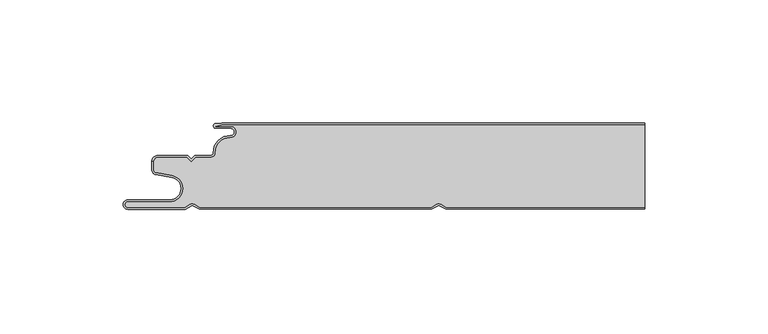
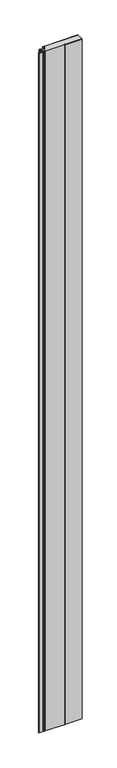
"""IFC4 building model written with IfcOpenShell, lengths in millimetres: plate geometry."""

from ifc_helpers import new_model, si_unit, point, frame, frame_2d, origin, origin_with_axes, place, context, project, spatial, polyline, circle_curve, trimmed, segment, composite_curve, outline, extrude, source, transform, mapped, element, save
from ifc_brep_helpers import plane_surface, cylinder_surface, revolved_surface, advanced_brep


def plate_384f6cdc(model_context):
    return source(origin(), model_context, "Body", "SolidModel", [
        advanced_brep(
        [(-71.6637731, -0.8, 3500.0), (-74.0000003, -1.3234618, 3500.0), (-68.0000003, -1.3234618, 3500.0), (-68.1134423, -5.9206625, 3500.0), (-74.1919837, -12.028303, 3500.0), (-76.0000003, -13.9234618, 3500.0), (-82.1686293, -13.9234618, 3500.0), (-84.0000002, -15.7548327, 3500.0), (-85.831371, -13.9234618, 3500.0), (-97.4, -13.9234618, 3500.0), (-99.2, -15.7234618, 3500.0), (-99.2, -19.0038437, 3500.0), (-98.2083778, -20.185613, 3500.0), (-91.7622998, -21.3222305, 3500.0), (-92.7, -32.0401924, 3500.0), (-109.7, -32.0401924, 3500.0), (-109.7, -34.2401924, 3500.0), (-86.6751286, -34.2401924, 3500.0), (-84.45, -32.9555137, 3500.0), (-82.7606357, -32.9494241, 3500.0), (-80.4557934, -34.2, 3500.0), (13.3944866, -34.2, 3500.0), (15.55, -32.9555137, 3500.0), (17.2393643, -32.9494241, 3500.0), (19.5442066, -34.2, 3500.0), (100.0, -34.2, 3500.0), (100.0, -0.8, 3500.0), (19.5442066, -34.2, 0.0), (17.2393643, -32.9494241, 0.0), (15.55, -32.9555137, 0.0), (13.3944866, -34.2, 0.0), (-80.4557934, -34.2, 0.0), (-82.7606357, -32.9494241, 0.0), (-84.45, -32.9555137, 0.0), (-86.6751286, -34.2401924, 0.0), (-109.7, -34.2401924, 0.0), (-109.7, -32.0401924, 0.0), (-92.7, -32.0401924, 0.0), (-91.7622998, -21.3222305, 0.0), (-98.2083778, -20.185613, 0.0), (-99.2, -19.0038437, 0.0), (-99.2, -15.7234618, 0.0), (-97.4, -13.9234618, 0.0), (-85.831371, -13.9234618, 0.0), (-84.0000002, -15.7548327, 0.0), (-82.1686293, -13.9234618, 0.0), (-76.0000003, -13.9234618, 0.0), (-74.2024882, -12.0288559, 0.0), (-68.1139291, -5.930521, 0.0), (-68.0000003, -1.3234618, 0.0), (-74.0000003, -1.3234618, 0.0), (-71.6637731, -0.8, 0.0), (100.0, -0.8, 0.0), (100.0, -34.2, 0.0)],
        [
            (0, 1),
            (1, 2),
            (2, 3, circle_curve(frame((-68.0000003, -3.6234618, 3500.0), z_axis=(0.0, 0.0, -1.0), x_axis=(1.0, 0.0, 0.0)), 2.3)),
            (3, 4, circle_curve(frame((-68.4000003, -11.7234618, 3500.0), z_axis=(0.0, 0.0, 1.0), x_axis=(1.0, 0.0, 0.0)), 5.8)),
            (4, 5, circle_curve(frame((-76.0000003, -12.1234618, 3500.0), z_axis=(0.0, 0.0, -1.0), x_axis=(1.0, 0.0, 0.0)), 1.8)),
            (5, 6),
            (6, 7),
            (7, 8),
            (8, 9),
            (9, 10, circle_curve(frame((-97.4, -15.7234618, 3500.0), z_axis=(0.0, 0.0, 1.0), x_axis=(1.0, 0.0, 0.0)), 1.8)),
            (10, 11),
            (11, 12, circle_curve(frame((-98.0, -19.0038437, 3500.0), z_axis=(0.0, 0.0, 1.0), x_axis=(1.0, 0.0, 0.0)), 1.2)),
            (12, 13),
            (13, 14, circle_curve(frame((-92.7, -26.6401924, 3500.0), z_axis=(0.0, 0.0, -1.0), x_axis=(1.0, 0.0, 0.0)), 5.4)),
            (14, 15),
            (15, 16, circle_curve(frame((-109.7, -33.1401924, 3500.0), z_axis=(0.0, 0.0, 1.0), x_axis=(1.0, 0.0, 0.0)), 1.1)),
            (16, 17),
            (17, 18),
            (18, 19, circle_curve(frame((-83.6, -34.4277569, 3500.0), z_axis=(0.0, 0.0, -1.0), x_axis=(1.0, 0.0, 0.0)), 1.7)),
            (19, 20),
            (20, 21),
            (21, 22),
            (22, 23, circle_curve(frame((16.4, -34.4277569, 3500.0), z_axis=(0.0, 0.0, -1.0), x_axis=(1.0, 0.0, 0.0)), 1.7)),
            (23, 24),
            (24, 25),
            (25, 26),
            (26, 0),
            (27, 28),
            (28, 29, circle_curve(frame((16.4, -34.4277569, 0.0), z_axis=(0.0, 0.0, 1.0), x_axis=(1.0, 0.0, 0.0)), 1.7)),
            (29, 30),
            (30, 31),
            (31, 32),
            (32, 33, circle_curve(frame((-83.6, -34.4277569, 0.0), z_axis=(0.0, 0.0, 1.0), x_axis=(1.0, 0.0, 0.0)), 1.7)),
            (33, 34),
            (34, 35),
            (35, 36, circle_curve(frame((-109.7, -33.1401924, 0.0), z_axis=(0.0, 0.0, -1.0), x_axis=(1.0, 0.0, 0.0)), 1.1)),
            (36, 37),
            (37, 38, circle_curve(frame((-92.7, -26.6401924, 0.0), z_axis=(0.0, 0.0, 1.0), x_axis=(1.0, 0.0, 0.0)), 5.4)),
            (38, 39),
            (39, 40, circle_curve(frame((-98.0, -19.0038437, 0.0), z_axis=(0.0, 0.0, -1.0), x_axis=(1.0, 0.0, 0.0)), 1.2)),
            (40, 41),
            (41, 42, circle_curve(frame((-97.4, -15.7234618, 0.0), z_axis=(0.0, 0.0, -1.0), x_axis=(1.0, 0.0, 0.0)), 1.8)),
            (42, 43),
            (43, 44),
            (44, 45),
            (45, 46),
            (46, 47, circle_curve(frame((-76.0000003, -12.1234618, 0.0), z_axis=(0.0, 0.0, 1.0), x_axis=(1.0, 0.0, 0.0)), 1.8)),
            (47, 48, circle_curve(frame((-68.4000003, -11.7234618, 0.0), z_axis=(0.0, 0.0, -1.0), x_axis=(1.0, 0.0, 0.0)), 5.8)),
            (48, 49, circle_curve(frame((-68.0000003, -3.6234618, 0.0), z_axis=(0.0, 0.0, 1.0), x_axis=(1.0, 0.0, 0.0)), 2.3)),
            (49, 50),
            (50, 51),
            (51, 52),
            (52, 53),
            (53, 27),
            (51, 0),
            (26, 52),
            (50, 1),
            (49, 2),
            (48, 3),
            (47, 4),
            (46, 5),
            (45, 6),
            (44, 7),
            (43, 8),
            (42, 9),
            (41, 10),
            (40, 11),
            (39, 12),
            (38, 13),
            (37, 14),
            (36, 15),
            (35, 16),
            (34, 17),
            (33, 18),
            (32, 19),
            (31, 20),
            (30, 21),
            (29, 22),
            (28, 23),
            (27, 24),
            (53, 25),
        ],
        [
            plane_surface(frame((-100.0, -35.0, 3500.0), z_axis=(0.0, 0.0, 1.0), x_axis=(0.0, 1.0, 0.0))),
            plane_surface(frame((-100.0, -35.0, 0.0), z_axis=(0.0, 0.0, -1.0), x_axis=(0.0, 1.0, 0.0))),
            plane_surface(frame((922.5460884, -0.8, 3500.0), z_axis=(0.0, 1.0, 0.0), x_axis=(0.0, 0.0, -1.0))),
            plane_surface(frame((-71.6637731, -0.8, 3500.0), z_axis=(-0.21864173282829805, 0.9758052022129412, 0.0), x_axis=(0.0, 0.0, -1.0))),
            plane_surface(frame((-74.0000003, -1.3234618, 3500.0), z_axis=(0.0, -1.0, 0.0), x_axis=(0.0, 0.0, -1.0))),
            revolved_surface(polyline([(-65.7000003, -3.6234618, 0.0), (-65.7000003, -3.6234618, 3500.0)]), (-68.0000003, -3.6234618, 3500.0), (0.0, 0.0, -1.0)),
            cylinder_surface(frame((-68.4000003, -11.7234618, 3500.0), z_axis=(0.0, 0.0, 1.0), x_axis=(1.0, 0.0, 0.0)), 5.8),
            revolved_surface(polyline([(-74.2000003, -12.1234618, 0.0), (-74.2000003, -12.1234618, 3500.0)]), (-76.0000003, -12.1234618, 3500.0), (0.0, 0.0, -1.0)),
            plane_surface(frame((-76.0000003, -13.9234618, 3500.0), z_axis=(0.0, 1.0, 0.0), x_axis=(0.0, 0.0, -1.0))),
            plane_surface(frame((-82.1686293, -13.9234618, 3500.0), z_axis=(-0.7071067810231582, 0.707106781349937, 0.0), x_axis=(0.0, 0.0, -1.0))),
            plane_surface(frame((-84.0000002, -15.7548327, 3500.0), z_axis=(0.7071067813499369, 0.7071067810231582, 0.0), x_axis=(0.0, 0.0, -1.0))),
            plane_surface(frame((-85.831371, -13.9234618, 3500.0), z_axis=(0.0, 1.0, 0.0), x_axis=(0.0, 0.0, -1.0))),
            cylinder_surface(frame((-97.4, -15.7234618, 3500.0), z_axis=(0.0, 0.0, 1.0), x_axis=(1.0, 0.0, 0.0)), 1.8),
            plane_surface(frame((-99.2, -17.1226667, 3500.0), z_axis=(-1.0, 0.0, 0.0), x_axis=(0.0, 0.0, -1.0))),
            cylinder_surface(frame((-98.0, -19.0038437, 3500.0), z_axis=(0.0, 0.0, 1.0), x_axis=(1.0, 0.0, 0.0)), 1.2),
            plane_surface(frame((-98.2083778, -20.185613, 3500.0), z_axis=(-0.1736481776669248, -0.984807753012209, 0.0), x_axis=(0.0, 0.0, -1.0))),
            revolved_surface(polyline([(-87.3, -26.6401924, 0.0), (-87.3, -26.6401924, 3500.0)]), (-92.7, -26.6401924, 3500.0), (0.0, 0.0, -1.0)),
            plane_surface(frame((-92.7, -32.0401924, 3500.0), z_axis=(0.0, 1.0, 0.0), x_axis=(0.0, 0.0, -1.0))),
            cylinder_surface(frame((-109.7, -33.1401924, 3500.0), z_axis=(0.0, 0.0, 1.0), x_axis=(1.0, 0.0, 0.0)), 1.1),
            plane_surface(frame((-109.7, -34.2401924, 3500.0), z_axis=(0.0, -1.0, 0.0), x_axis=(0.0, 0.0, -1.0))),
            plane_surface(frame((-86.6751286, -34.2401924, 3500.0), z_axis=(0.5000000299311667, -0.8660253865036709, 0.0), x_axis=(0.0, 0.0, -1.0))),
            revolved_surface(polyline([(-81.89999999999999, -34.4277569, 0.0), (-81.89999999999999, -34.4277569, 3500.0)]), (-83.6, -34.4277569, 3500.0), (0.0, 0.0, -1.0)),
            plane_surface(frame((-82.7606357, -32.9494241, 3500.0), z_axis=(-0.47690797328217005, -0.878953232555574, 0.0), x_axis=(0.0, 0.0, -1.0))),
            plane_surface(frame((-80.4557934, -34.2, 3500.0), z_axis=(0.0, -1.0, 0.0), x_axis=(0.0, 0.0, -1.0))),
            plane_surface(frame((13.3944866, -34.2, 3500.0), z_axis=(0.5000000299307237, -0.8660253865039267, 0.0), x_axis=(0.0, 0.0, -1.0))),
            revolved_surface(polyline([(18.099999999999998, -34.4277569, 0.0), (18.099999999999998, -34.4277569, 3500.0)]), (16.4, -34.4277569, 3500.0), (0.0, 0.0, -1.0)),
            plane_surface(frame((17.2393643, -32.9494241, 3500.0), z_axis=(-0.4769079732821666, -0.8789532325555759, 0.0), x_axis=(0.0, 0.0, -1.0))),
            plane_surface(frame((19.5442066, -34.2, 3500.0), z_axis=(0.0, -1.0, 0.0), x_axis=(0.0, 0.0, -1.0))),
            plane_surface(frame((100.0, 0.0, 3500.0), z_axis=(1.0, 0.0, 0.0), x_axis=(0.0, 0.0, -1.0))),
        ],
        [
            (0, [[1, 2, 3, 4, 5, 6, 7, 8, 9, 10, 11, 12, 13, 14, 15, 16, 17, 18, 19, 20, 21, 22, 23, 24, 25, 26, 27]]),
            (1, [[28, 29, 30, 31, 32, 33, 34, 35, 36, 37, 38, 39, 40, 41, 42, 43, 44, 45, 46, 47, 48, 49, 50, 51, 52, 53, 54]]),
            (2, [[55, -27, 56, -52]]),
            (3, [[-1, -55, -51, 57]]),
            (4, [[-2, -57, -50, 58]]),
            (5, [[-3, -58, -49, 59]]),
            (6, [[-4, -59, -48, 60]]),
            (7, [[-5, -60, -47, 61]]),
            (8, [[-6, -61, -46, 62]]),
            (9, [[-7, -62, -45, 63]]),
            (10, [[-8, -63, -44, 64]]),
            (11, [[-9, -64, -43, 65]]),
            (12, [[-10, -65, -42, 66]]),
            (13, [[-11, -66, -41, 67]]),
            (14, [[-12, -67, -40, 68]]),
            (15, [[-13, -68, -39, 69]]),
            (16, [[-14, -69, -38, 70]]),
            (17, [[-15, -70, -37, 71]]),
            (18, [[-16, -71, -36, 72]]),
            (19, [[-17, -72, -35, 73]]),
            (20, [[-18, -73, -34, 74]]),
            (21, [[-19, -74, -33, 75]]),
            (22, [[-20, -75, -32, 76]]),
            (23, [[-21, -76, -31, 77]]),
            (24, [[-22, -77, -30, 78]]),
            (25, [[-23, -78, -29, 79]]),
            (26, [[-24, -79, -28, 80]]),
            (27, [[-80, -54, 81, -25]]),
            (28, [[-26, -81, -53, -56]]),
        ],
    ),
        extrude(outline(composite_curve([segment(trimmed(circle_curve(frame_2d((-98.0, -18.9636514)), 2.0), [point((-98.3472964, -20.9332669))], [point((-100.0, -18.9636514))], False, "CARTESIAN"), True, "CONTINUOUS"), segment(polyline([(-100.0, -18.9636514), (-100.0, -15.6), (-99.2, -15.6), (-99.2, -18.9636514)]), True, "CONTINUOUS"), segment(trimmed(circle_curve(frame_2d((-98.0, -18.9636514)), 1.2), [point((-99.2, -18.9636514))], [point((-98.2083778, -20.1454207))], True, "CARTESIAN"), True, "CONTINUOUS"), segment(polyline([(-98.2083778, -20.1454207), (-91.7622998, -21.2820381)]), True, "CONTINUOUS"), segment(trimmed(circle_curve(frame_2d((-92.7, -26.6)), 5.4), [point((-91.7622998, -21.2820381))], [point((-92.7, -32.0))], False, "CARTESIAN"), True, "CONTINUOUS"), segment(polyline([(-92.7, -32.0), (-109.7, -32.0)]), True, "CONTINUOUS"), segment(trimmed(circle_curve(frame_2d((-109.7, -33.1)), 1.1), [point((-109.7, -32.0))], [point((-109.7, -34.2))], True, "CARTESIAN"), True, "CONTINUOUS"), segment(polyline([(-109.7, -34.2), (-86.6751286, -34.2), (-84.45, -32.9153213)]), True, "CONTINUOUS"), segment(trimmed(circle_curve(frame_2d((-83.6, -34.3875645)), 1.7), [point((-84.45, -32.9153213))], [point((-82.7606357, -32.9092318))], False, "CARTESIAN"), True, "CONTINUOUS"), segment(polyline([(-82.7606357, -32.9092318), (-80.4557934, -34.1598076), (13.3944866, -34.1598076), (15.5499999, -32.9153213)]), True, "CONTINUOUS"), segment(trimmed(circle_curve(frame_2d((16.4, -34.3875645)), 1.7), [point((15.5499999, -32.9153213))], [point((17.2393643, -32.9092318))], False, "CARTESIAN"), True, "CONTINUOUS"), segment(polyline([(17.2393643, -32.9092318), (19.5442066, -34.1598076), (100.0, -34.1598076), (100.0, -34.9598076), (19.341154, -34.9598076), (16.85, -33.6081416)]), True, "CONTINUOUS"), segment(trimmed(circle_curve(frame_2d((16.4, -34.3875645)), 0.9), [point((16.85, -33.6081416))], [point((15.95, -33.6081416))], True, "CARTESIAN"), True, "CONTINUOUS"), segment(polyline([(15.95, -33.6081416), (13.608846, -34.9598076), (-80.658846, -34.9598076), (-83.15, -33.6081416)]), True, "CONTINUOUS"), segment(trimmed(circle_curve(frame_2d((-83.6, -34.3875645)), 0.9), [point((-83.15, -33.6081416))], [point((-84.05, -33.6081416))], True, "CARTESIAN"), True, "CONTINUOUS"), segment(polyline([(-84.05, -33.6081416), (-86.4607692, -35.0), (-109.7, -35.0)]), True, "CONTINUOUS"), segment(trimmed(circle_curve(frame_2d((-109.7, -33.1)), 1.9), [point((-109.7, -35.0))], [point((-109.7, -31.2))], False, "CARTESIAN"), True, "CONTINUOUS"), segment(polyline([(-109.7, -31.2), (-92.7, -31.2)]), True, "CONTINUOUS"), segment(trimmed(circle_curve(frame_2d((-92.7, -26.6)), 4.6), [point((-92.7, -31.2))], [point((-91.9012184, -22.0698843))], True, "CARTESIAN"), True, "CONTINUOUS"), segment(polyline([(-91.9012184, -22.0698843), (-98.3472964, -20.9332669)]), True, "CONTINUOUS")], self_intersect=False)), origin_with_axes(), (0.0, 0.0, 1.0), 3500.0),
        advanced_brep(
        [(-71.6850913, 0.0, 3500.0), (-74.0000003, -0.1234618, 3500.0), (-74.0000003, -2.1234618, 3500.0), (-68.0000003, -2.1234618, 3500.0), (-68.0739842, -5.1216362, 3500.0), (-74.990878, -12.0703501, 3500.0), (-76.0000003, -13.1234618, 3500.0), (-82.5000001, -13.1234618, 3500.0), (-84.0000002, -14.6234618, 3500.0), (-85.5000001, -13.1234618, 3500.0), (-97.4, -13.1234618, 3500.0), (-100.0, -15.7234618, 3500.0), (-100.0, -17.1226667, 3500.0), (-99.2, -17.1226667, 3500.0), (-99.2, -15.7234618, 3500.0), (-97.4, -13.9234618, 3500.0), (-85.831371, -13.9234618, 3500.0), (-84.0000002, -15.7548327, 3500.0), (-82.1686293, -13.9234618, 3500.0), (-76.0000003, -13.9234618, 3500.0), (-74.2024882, -12.0288559, 3500.0), (-68.1139291, -5.930521, 3500.0), (-68.0000003, -1.3234618, 3500.0), (-74.0000003, -1.3234618, 3500.0), (-71.6637731, -0.8, 3500.0), (100.0, -0.8, 3500.0), (100.0, 0.0, 3500.0), (-71.6637731, -0.8, 0.0), (-74.0000003, -1.3234618, 0.0), (-68.0000003, -1.3234618, 0.0), (-68.1134423, -5.9206625, 0.0), (-74.1919837, -12.028303, 0.0), (-76.0000003, -13.9234618, 0.0), (-82.1686293, -13.9234618, 0.0), (-84.0000002, -15.7548327, 0.0), (-85.831371, -13.9234618, 0.0), (-97.4, -13.9234618, 0.0), (-99.2, -15.7234618, 0.0), (-99.2, -17.1226667, 0.0), (-100.0, -17.1226667, 0.0), (-100.0, -15.7234618, 0.0), (-97.4, -13.1234618, 0.0), (-85.5000001, -13.1234618, 0.0), (-84.0000002, -14.6234618, 0.0), (-82.5000001, -13.1234618, 0.0), (-76.0000003, -13.1234618, 0.0), (-75.0013825, -12.070903, 0.0), (-68.0744711, -5.1314947, 0.0), (-68.0000003, -2.1234618, 0.0), (-74.0000003, -2.1234618, 0.0), (-74.0000003, -0.1234618, 0.0), (-71.6850913, 0.0, 0.0), (100.0, 0.0, 0.0), (100.0, -0.8, 0.0)],
        [
            (0, 1),
            (1, 2, circle_curve(frame((-74.0000003, -1.1234618, 3500.0), z_axis=(0.0, 0.0, 1.0), x_axis=(1.0, 0.0, 0.0)), 1.0)),
            (2, 3),
            (3, 4, circle_curve(frame((-68.0000003, -3.6234618, 3500.0), z_axis=(0.0, 0.0, -1.0), x_axis=(1.0, 0.0, 0.0)), 1.5)),
            (4, 5, circle_curve(frame((-68.4000003, -11.7234618, 3500.0), z_axis=(0.0, 0.0, 1.0), x_axis=(1.0, 0.0, 0.0)), 6.6)),
            (5, 6, circle_curve(frame((-76.0000003, -12.1234618, 3500.0), z_axis=(0.0, 0.0, -1.0), x_axis=(1.0, 0.0, 0.0)), 1.0)),
            (6, 7),
            (7, 8),
            (8, 9),
            (9, 10),
            (10, 11, circle_curve(frame((-97.4, -15.7234618, 3500.0), z_axis=(0.0, 0.0, 1.0), x_axis=(1.0, 0.0, 0.0)), 2.6)),
            (11, 12),
            (12, 13),
            (13, 14),
            (14, 15, circle_curve(frame((-97.4, -15.7234618, 3500.0), z_axis=(0.0, 0.0, -1.0), x_axis=(1.0, 0.0, 0.0)), 1.8)),
            (15, 16),
            (16, 17),
            (17, 18),
            (18, 19),
            (19, 20, circle_curve(frame((-76.0000003, -12.1234618, 3500.0), z_axis=(0.0, 0.0, 1.0), x_axis=(1.0, 0.0, 0.0)), 1.8)),
            (20, 21, circle_curve(frame((-68.4000003, -11.7234618, 3500.0), z_axis=(0.0, 0.0, -1.0), x_axis=(1.0, 0.0, 0.0)), 5.8)),
            (21, 22, circle_curve(frame((-68.0000003, -3.6234618, 3500.0), z_axis=(0.0, 0.0, 1.0), x_axis=(1.0, 0.0, 0.0)), 2.3)),
            (22, 23),
            (23, 24),
            (24, 25),
            (25, 26),
            (26, 0),
            (27, 28),
            (28, 29),
            (29, 30, circle_curve(frame((-68.0000003, -3.6234618, 0.0), z_axis=(0.0, 0.0, -1.0), x_axis=(1.0, 0.0, 0.0)), 2.3)),
            (30, 31, circle_curve(frame((-68.4000003, -11.7234618, 0.0), z_axis=(0.0, 0.0, 1.0), x_axis=(1.0, 0.0, 0.0)), 5.8)),
            (31, 32, circle_curve(frame((-76.0000003, -12.1234618, 0.0), z_axis=(0.0, 0.0, -1.0), x_axis=(1.0, 0.0, 0.0)), 1.8)),
            (32, 33),
            (33, 34),
            (34, 35),
            (35, 36),
            (36, 37, circle_curve(frame((-97.4, -15.7234618, 0.0), z_axis=(0.0, 0.0, 1.0), x_axis=(1.0, 0.0, 0.0)), 1.8)),
            (37, 38),
            (38, 39),
            (39, 40),
            (40, 41, circle_curve(frame((-97.4, -15.7234618, 0.0), z_axis=(0.0, 0.0, -1.0), x_axis=(1.0, 0.0, 0.0)), 2.6)),
            (41, 42),
            (42, 43),
            (43, 44),
            (44, 45),
            (45, 46, circle_curve(frame((-76.0000003, -12.1234618, 0.0), z_axis=(0.0, 0.0, 1.0), x_axis=(1.0, 0.0, 0.0)), 1.0)),
            (46, 47, circle_curve(frame((-68.4000003, -11.7234618, 0.0), z_axis=(0.0, 0.0, -1.0), x_axis=(1.0, 0.0, 0.0)), 6.6)),
            (47, 48, circle_curve(frame((-68.0000003, -3.6234618, 0.0), z_axis=(0.0, 0.0, 1.0), x_axis=(1.0, 0.0, 0.0)), 1.5)),
            (48, 49),
            (49, 50, circle_curve(frame((-74.0000003, -1.1234618, 0.0), z_axis=(0.0, 0.0, -1.0), x_axis=(1.0, 0.0, 0.0)), 1.0)),
            (50, 51),
            (51, 52),
            (52, 53),
            (53, 27),
            (51, 0),
            (26, 52),
            (50, 1),
            (49, 2),
            (48, 3),
            (47, 4),
            (46, 5),
            (45, 6),
            (44, 7),
            (43, 8),
            (42, 9),
            (41, 10),
            (40, 11),
            (39, 12),
            (38, 13),
            (37, 14),
            (36, 15),
            (35, 16),
            (34, 17),
            (33, 18),
            (32, 19),
            (31, 20),
            (30, 21),
            (29, 22),
            (28, 23),
            (27, 24),
            (53, 25),
        ],
        [
            plane_surface(frame((-100.0, 0.0, 3500.0), z_axis=(0.0, 0.0, 1.0), x_axis=(0.0, 1.0, 0.0))),
            plane_surface(frame((-100.0, 0.0, 0.0), z_axis=(0.0, 0.0, -1.0), x_axis=(0.0, 1.0, 0.0))),
            plane_surface(frame((922.5460884, 0.0, 3500.0), z_axis=(0.0, 1.0, 0.0), x_axis=(0.0, 0.0, -1.0))),
            plane_surface(frame((-71.6850913, 0.0, 3500.0), z_axis=(-0.053257642916100786, 0.9985808046778293, 0.0), x_axis=(0.0, 0.0, -1.0))),
            cylinder_surface(frame((-74.0000003, -1.1234618, 3500.0), z_axis=(0.0, 0.0, 1.0), x_axis=(1.0, 0.0, 0.0)), 1.0),
            plane_surface(frame((-74.0000003, -2.1234618, 3500.0), z_axis=(0.0, -1.0, 0.0), x_axis=(0.0, 0.0, -1.0))),
            revolved_surface(polyline([(-66.5000003, -3.6234618, 0.0), (-66.5000003, -3.6234618, 3500.0)]), (-68.0000003, -3.6234618, 3500.0), (0.0, 0.0, -1.0)),
            cylinder_surface(frame((-68.4000003, -11.7234618, 3500.0), z_axis=(0.0, 0.0, 1.0), x_axis=(1.0, 0.0, 0.0)), 6.6),
            revolved_surface(polyline([(-75.0000003, -12.1234618, 0.0), (-75.0000003, -12.1234618, 3500.0)]), (-76.0000003, -12.1234618, 3500.0), (0.0, 0.0, -1.0)),
            plane_surface(frame((-76.0000003, -13.1234618, 3500.0), z_axis=(0.0, 1.0, 0.0), x_axis=(0.0, 0.0, -1.0))),
            plane_surface(frame((-82.5000001, -13.1234618, 3500.0), z_axis=(-0.7071067810229229, 0.7071067813501721, 0.0), x_axis=(0.0, 0.0, -1.0))),
            plane_surface(frame((-84.0000002, -14.6234618, 3500.0), z_axis=(0.7071067813500019, 0.7071067810230931, 0.0), x_axis=(0.0, 0.0, -1.0))),
            plane_surface(frame((-85.5000001, -13.1234618, 3500.0), z_axis=(0.0, 1.0, 0.0), x_axis=(0.0, 0.0, -1.0))),
            cylinder_surface(frame((-97.4, -15.7234618, 3500.0), z_axis=(0.0, 0.0, 1.0), x_axis=(1.0, 0.0, 0.0)), 2.6),
            plane_surface(frame((-100.0, -15.7234618, 3500.0), z_axis=(-1.0, 0.0, 0.0), x_axis=(0.0, 0.0, -1.0))),
            plane_surface(frame((-100.0, -17.1226667, 3500.0), z_axis=(0.0, -1.0, 0.0), x_axis=(0.0, 0.0, -1.0))),
            plane_surface(frame((-99.2, -17.1226667, 3500.0), z_axis=(1.0, 0.0, 0.0), x_axis=(0.0, 0.0, -1.0))),
            revolved_surface(polyline([(-95.60000000000001, -15.7234618, 0.0), (-95.60000000000001, -15.7234618, 3500.0)]), (-97.4, -15.7234618, 3500.0), (0.0, 0.0, -1.0)),
            plane_surface(frame((-97.4, -13.9234618, 3500.0), z_axis=(0.0, -1.0, 0.0), x_axis=(0.0, 0.0, -1.0))),
            plane_surface(frame((-85.831371, -13.9234618, 3500.0), z_axis=(-0.7071067813500018, -0.7071067810230932, 0.0), x_axis=(0.0, 0.0, -1.0))),
            plane_surface(frame((-84.0000002, -15.7548327, 3500.0), z_axis=(0.7071067810229222, -0.7071067813501728, 0.0), x_axis=(0.0, 0.0, -1.0))),
            plane_surface(frame((-82.1686293, -13.9234618, 3500.0), z_axis=(0.0, -1.0, 0.0), x_axis=(0.0, 0.0, -1.0))),
            cylinder_surface(frame((-76.0000003, -12.1234618, 3500.0), z_axis=(0.0, 0.0, 1.0), x_axis=(1.0, 0.0, 0.0)), 1.8),
            revolved_surface(polyline([(-62.600000300000005, -11.7234618, 0.0), (-62.600000300000005, -11.7234618, 3500.0)]), (-68.4000003, -11.7234618, 3500.0), (0.0, 0.0, -1.0)),
            cylinder_surface(frame((-68.0000003, -3.6234618, 3500.0), z_axis=(0.0, 0.0, 1.0), x_axis=(1.0, 0.0, 0.0)), 2.3),
            plane_surface(frame((-68.0000003, -1.3234618, 3500.0), z_axis=(0.0, 1.0, 0.0), x_axis=(0.0, 0.0, -1.0))),
            plane_surface(frame((-74.0000003, -1.3234618, 3500.0), z_axis=(0.21864173282829105, -0.9758052022129429, 0.0), x_axis=(0.0, 0.0, -1.0))),
            plane_surface(frame((-71.6637731, -0.8, 3500.0), z_axis=(0.0, -1.0, 0.0), x_axis=(0.0, 0.0, -1.0))),
            plane_surface(frame((100.0, 0.0, 3500.0), z_axis=(1.0, 0.0, 0.0), x_axis=(0.0, 0.0, -1.0))),
        ],
        [
            (0, [[1, 2, 3, 4, 5, 6, 7, 8, 9, 10, 11, 12, 13, 14, 15, 16, 17, 18, 19, 20, 21, 22, 23, 24, 25, 26, 27]]),
            (1, [[28, 29, 30, 31, 32, 33, 34, 35, 36, 37, 38, 39, 40, 41, 42, 43, 44, 45, 46, 47, 48, 49, 50, 51, 52, 53, 54]]),
            (2, [[55, -27, 56, -52]]),
            (3, [[-1, -55, -51, 57]]),
            (4, [[-2, -57, -50, 58]]),
            (5, [[-3, -58, -49, 59]]),
            (6, [[-4, -59, -48, 60]]),
            (7, [[-5, -60, -47, 61]]),
            (8, [[-6, -61, -46, 62]]),
            (9, [[-7, -62, -45, 63]]),
            (10, [[-8, -63, -44, 64]]),
            (11, [[-9, -64, -43, 65]]),
            (12, [[-10, -65, -42, 66]]),
            (13, [[-11, -66, -41, 67]]),
            (14, [[-12, -67, -40, 68]]),
            (15, [[-13, -68, -39, 69]]),
            (16, [[-14, -69, -38, 70]]),
            (17, [[-15, -70, -37, 71]]),
            (18, [[-16, -71, -36, 72]]),
            (19, [[-17, -72, -35, 73]]),
            (20, [[-18, -73, -34, 74]]),
            (21, [[-19, -74, -33, 75]]),
            (22, [[-20, -75, -32, 76]]),
            (23, [[-21, -76, -31, 77]]),
            (24, [[-22, -77, -30, 78]]),
            (25, [[-23, -78, -29, 79]]),
            (26, [[-24, -79, -28, 80]]),
            (27, [[-80, -54, 81, -25]]),
            (28, [[-26, -81, -53, -56]]),
        ],
    ),
    ])


if __name__ == "__main__":
    model = new_model("IFC4")
    model_context = context("Model", 3, world=origin())
    ifc_project = project(units=[si_unit("LENGTHUNIT", "METRE", prefix="MILLI")], contexts=[model_context])
    site = spatial("IfcSite", under=ifc_project)
    building = spatial("IfcBuilding", under=site)
    placement = place(None, origin())
    plate_shape = plate_384f6cdc(model_context)
    element("IfcPlate", 1, at=placement, inside=building, context=model_context, shape_type="MappedRepresentation", body=[
        mapped(plate_shape, transform((0.0, 0.0, 0.0), x_axis=(1.0, 0.0, 0.0), y_axis=(0.0, 1.0, 0.0), z_axis=(0.0, 0.0, 1.0))),
    ])
    save(model, "model.ifc")
